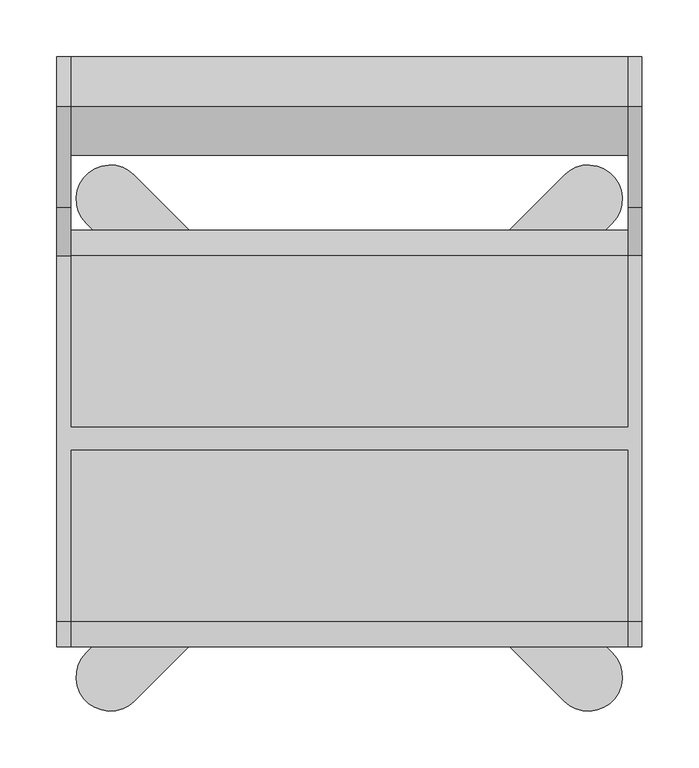
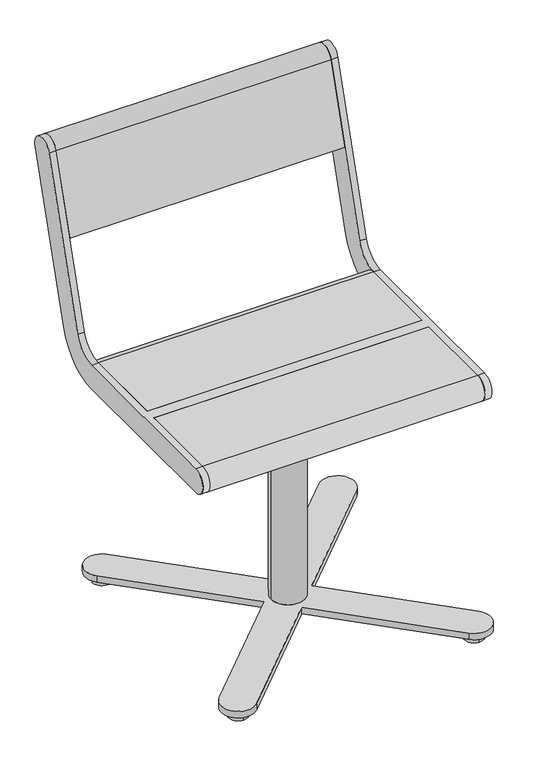
"""IFC4 building model written with IfcOpenShell, lengths in millimetres: furniture geometry."""

from ifc_helpers import new_model, si_unit, point, frame, frame_2d, origin, place, context, project, spatial, polyline, circle_curve, trimmed, segment, composite_curve, outline, extrude, source, transform, mapped, element, save
from ifc_brep_helpers import plane_surface, cylinder_surface, revolved_surface, advanced_brep


def furniture_1e608c58(model_context):
    return source(origin(), model_context, "Body", "SolidModel", [
        advanced_brep(
        [(-30.0, 0.0, 389.0), (-30.0, 0.0, 27.0), (30.0, 0.0, 27.0), (30.0, 0.0, 389.0), (75.0, -125.0, 405.0), (75.0, -125.0, 389.0), (75.0, 125.0, 389.0), (75.0, 125.0, 405.0), (-75.0, -125.0, 405.0), (-75.0, 125.0, 405.0), (-75.0, 125.0, 389.0), (-75.0, -125.0, 389.0), (-188.7867966, 231.2132034, 27.0), (-231.2132034, 188.7867966, 27.0), (-42.4264069, 0.0, 27.0), (-231.2132034, -188.7867966, 27.0), (-188.7867966, -231.2132034, 27.0), (0.0, -42.4264069, 27.0), (188.7867966, -231.2132034, 27.0), (231.2132034, -188.7867966, 27.0), (42.4264069, 0.0, 27.0), (231.2132034, 188.7867966, 27.0), (188.7867966, 231.2132034, 27.0), (0.0, 42.4264069, 27.0), (-188.7867966, 231.2132034, 15.0), (0.0, 42.4264069, 15.0), (188.7867966, 231.2132034, 15.0), (231.2132034, 188.7867966, 15.0), (42.4264069, 0.0, 15.0), (231.2132034, -188.7867966, 15.0), (188.7867966, -231.2132034, 15.0), (0.0, -42.4264069, 15.0), (-188.7867966, -231.2132034, 15.0), (-231.2132034, -188.7867966, 15.0), (-42.4264069, 0.0, 15.0), (-231.2132034, 188.7867966, 15.0), (-210.0, 226.9921875, 15.0), (-210.0, 192.9921875, 15.0), (210.0, 226.9921875, 15.0), (210.0, 192.9921875, 15.0), (-210.0, -226.9921875, 15.0), (-210.0, -192.9921875, 15.0), (210.0, -226.9921875, 15.0), (210.0, -192.9921875, 15.0), (-210.0, 226.9921875, 0.0), (-210.0, 192.9921875, 0.0), (210.0, 226.9921875, 0.0), (210.0, 192.9921875, 0.0), (-210.0, -226.9921875, 0.0), (-210.0, -192.9921875, 0.0), (210.0, -226.9921875, 0.0), (210.0, -192.9921875, 0.0)],
        [
            (0, 1),
            (1, 2, circle_curve(frame((0.0, 0.0, 27.0), z_axis=(0.0, 0.0, 1.0), x_axis=(1.0, 0.0, 0.0)), 30.0)),
            (2, 3),
            (3, 0, circle_curve(frame((0.0, 0.0, 389.0), z_axis=(0.0, 0.0, -1.0), x_axis=(1.0, 0.0, 0.0)), 30.0)),
            (0, 3, circle_curve(frame((0.0, 0.0, 389.0), z_axis=(0.0, 0.0, -1.0), x_axis=(1.0, 0.0, 0.0)), 30.0)),
            (2, 1, circle_curve(frame((0.0, 0.0, 27.0), z_axis=(0.0, 0.0, 1.0), x_axis=(1.0, 0.0, 0.0)), 30.0)),
            (4, 5),
            (5, 6),
            (6, 7),
            (7, 4),
            (8, 9),
            (9, 10),
            (10, 11),
            (11, 8),
            (4, 8),
            (11, 5),
            (10, 6),
            (9, 7),
            (12, 13, circle_curve(frame((-210.0, 210.0, 27.0), z_axis=(0.0, 0.0, 1.0), x_axis=(0.0, -1.0, 0.0)), 30.0)),
            (13, 14),
            (14, 15),
            (15, 16, circle_curve(frame((-210.0, -210.0, 27.0), z_axis=(0.0, 0.0, 1.0), x_axis=(1.0, 0.0, 0.0)), 30.0)),
            (16, 17),
            (17, 18),
            (18, 19, circle_curve(frame((210.0, -210.0, 27.0), z_axis=(0.0, 0.0, 1.0), x_axis=(1.0, 0.0, 0.0)), 30.0)),
            (19, 20),
            (20, 21),
            (21, 22, circle_curve(frame((210.0, 210.0, 27.0), z_axis=(0.0, 0.0, 1.0), x_axis=(0.0, -1.0, 0.0)), 30.0)),
            (22, 23),
            (23, 12),
            (24, 25),
            (25, 26),
            (26, 27, circle_curve(frame((210.0, 210.0, 15.0), z_axis=(0.0, 0.0, -1.0), x_axis=(0.0, -1.0, 0.0)), 30.0)),
            (27, 28),
            (28, 29),
            (29, 30, circle_curve(frame((210.0, -210.0, 15.0), z_axis=(0.0, 0.0, -1.0), x_axis=(1.0, 0.0, 0.0)), 30.0)),
            (30, 31),
            (31, 32),
            (32, 33, circle_curve(frame((-210.0, -210.0, 15.0), z_axis=(0.0, 0.0, -1.0), x_axis=(1.0, 0.0, 0.0)), 30.0)),
            (33, 34),
            (34, 35),
            (35, 24, circle_curve(frame((-210.0, 210.0, 15.0), z_axis=(0.0, 0.0, -1.0), x_axis=(0.0, -1.0, 0.0)), 30.0)),
            (36, 37, circle_curve(frame((-210.0, 209.9921875, 15.0), z_axis=(0.0, 0.0, 1.0), x_axis=(0.0, -1.0, 0.0)), 17.0)),
            (37, 36, circle_curve(frame((-210.0, 209.9921875, 15.0), z_axis=(0.0, 0.0, 1.0), x_axis=(0.0, -1.0, 0.0)), 17.0)),
            (38, 39, circle_curve(frame((210.0, 209.9921875, 15.0), z_axis=(0.0, 0.0, 1.0), x_axis=(0.0, -1.0, 0.0)), 17.0)),
            (39, 38, circle_curve(frame((210.0, 209.9921875, 15.0), z_axis=(0.0, 0.0, 1.0), x_axis=(0.0, -1.0, 0.0)), 17.0)),
            (40, 41, circle_curve(frame((-210.0, -209.9921875, 15.0), z_axis=(0.0, 0.0, 1.0), x_axis=(0.0, 1.0, 0.0)), 17.0)),
            (41, 40, circle_curve(frame((-210.0, -209.9921875, 15.0), z_axis=(0.0, 0.0, 1.0), x_axis=(0.0, 1.0, 0.0)), 17.0)),
            (42, 43, circle_curve(frame((210.0, -209.9921875, 15.0), z_axis=(0.0, 0.0, 1.0), x_axis=(0.0, 1.0, 0.0)), 17.0)),
            (43, 42, circle_curve(frame((210.0, -209.9921875, 15.0), z_axis=(0.0, 0.0, 1.0), x_axis=(0.0, 1.0, 0.0)), 17.0)),
            (44, 45, circle_curve(frame((-210.0, 209.9921875, 0.0), z_axis=(0.0, 0.0, -1.0), x_axis=(0.0, -1.0, 0.0)), 17.0)),
            (45, 44, circle_curve(frame((-210.0, 209.9921875, 0.0), z_axis=(0.0, 0.0, -1.0), x_axis=(0.0, -1.0, 0.0)), 17.0)),
            (46, 47, circle_curve(frame((210.0, 209.9921875, 0.0), z_axis=(0.0, 0.0, -1.0), x_axis=(0.0, -1.0, 0.0)), 17.0)),
            (47, 46, circle_curve(frame((210.0, 209.9921875, 0.0), z_axis=(0.0, 0.0, -1.0), x_axis=(0.0, -1.0, 0.0)), 17.0)),
            (48, 49, circle_curve(frame((-210.0, -209.9921875, 0.0), z_axis=(0.0, 0.0, -1.0), x_axis=(0.0, 1.0, 0.0)), 17.0)),
            (49, 48, circle_curve(frame((-210.0, -209.9921875, 0.0), z_axis=(0.0, 0.0, -1.0), x_axis=(0.0, 1.0, 0.0)), 17.0)),
            (50, 51, circle_curve(frame((210.0, -209.9921875, 0.0), z_axis=(0.0, 0.0, -1.0), x_axis=(0.0, 1.0, 0.0)), 17.0)),
            (51, 50, circle_curve(frame((210.0, -209.9921875, 0.0), z_axis=(0.0, 0.0, -1.0), x_axis=(0.0, 1.0, 0.0)), 17.0)),
            (45, 37),
            (36, 44),
            (47, 39),
            (38, 46),
            (12, 24),
            (35, 13),
            (34, 14),
            (33, 15),
            (32, 16),
            (31, 17),
            (30, 18),
            (29, 19),
            (28, 20),
            (27, 21),
            (26, 22),
            (25, 23),
            (49, 41),
            (40, 48),
            (51, 43),
            (42, 50),
        ],
        [
            cylinder_surface(frame((0.0, 0.0, 27.0), z_axis=(0.0, 0.0, 1.0), x_axis=(1.0, 0.0, 0.0)), 30.0),
            plane_surface(frame((75.0, -125.0, 405.0), z_axis=(1.0, 0.0, 0.0), x_axis=(0.0, 0.0, -1.0))),
            plane_surface(frame((-75.0, -125.0, 405.0), z_axis=(-1.0, 0.0, 0.0), x_axis=(0.0, 0.0, 1.0))),
            plane_surface(frame((75.0, -125.0, 405.0), z_axis=(0.0, -1.0, 0.0), x_axis=(-1.0, 0.0, 0.0))),
            plane_surface(frame((75.0, -125.0, 389.0), z_axis=(0.0, 0.0, -1.0), x_axis=(-1.0, 0.0, 0.0))),
            plane_surface(frame((75.0, 125.0, 389.0), z_axis=(0.0, 1.0, 0.0), x_axis=(-1.0, 0.0, 0.0))),
            plane_surface(frame((75.0, 125.0, 405.0), z_axis=(0.0, 0.0, 1.0), x_axis=(-1.0, 0.0, 0.0))),
            plane_surface(frame((-210.0, 180.0, 27.0), z_axis=(0.0, 0.0, 1.0), x_axis=(1.0, 0.0, 0.0))),
            plane_surface(frame((-210.0, 180.0, 15.0), z_axis=(0.0, 0.0, -1.0), x_axis=(-1.0, 0.0, 0.0))),
            plane_surface(frame((-210.0, 192.9921875, 0.0), z_axis=(0.0, 0.0, -1.0), x_axis=(-1.0, 0.0, 0.0))),
            cylinder_surface(frame((-210.0, 209.9921875, 0.0), z_axis=(0.0, 0.0, 1.0), x_axis=(0.0, -1.0, 0.0)), 17.0),
            cylinder_surface(frame((210.0, 209.9921875, 0.0), z_axis=(0.0, 0.0, 1.0), x_axis=(0.0, -1.0, 0.0)), 17.0),
            cylinder_surface(frame((-210.0, 210.0, 15.0), z_axis=(0.0, 0.0, 1.0), x_axis=(0.0, -1.0, 0.0)), 30.0),
            plane_surface(frame((-231.2132034, 188.7867966, 27.0), z_axis=(-0.7071067811865475, -0.7071067811865476, 0.0), x_axis=(0.0, 0.0, -1.0))),
            plane_surface(frame((-42.4264069, 0.0, 27.0), z_axis=(-0.7071067811865476, 0.7071067811865476, 0.0), x_axis=(0.0, 0.0, -1.0))),
            cylinder_surface(frame((-210.0, -210.0, 15.0), z_axis=(0.0, 0.0, 1.0), x_axis=(1.0, 0.0, 0.0)), 30.0),
            plane_surface(frame((-188.7867966, -231.2132034, 27.0), z_axis=(0.7071067811865476, -0.7071067811865475, 0.0), x_axis=(0.0, 0.0, -1.0))),
            plane_surface(frame((0.0, -42.4264069, 27.0), z_axis=(-0.7071067811865478, -0.7071067811865472, 0.0), x_axis=(0.0, 0.0, -1.0))),
            cylinder_surface(frame((210.0, -210.0, 15.0), z_axis=(0.0, 0.0, 1.0), x_axis=(1.0, 0.0, 0.0)), 30.0),
            plane_surface(frame((231.2132034, -188.7867966, 27.0), z_axis=(0.7071067811865477, 0.7071067811865474, 0.0), x_axis=(0.0, 0.0, -1.0))),
            plane_surface(frame((42.4264069, 0.0, 27.0), z_axis=(0.7071067811865478, -0.7071067811865474, 0.0), x_axis=(0.0, 0.0, -1.0))),
            cylinder_surface(frame((210.0, 210.0, 15.0), z_axis=(0.0, 0.0, 1.0), x_axis=(0.0, -1.0, 0.0)), 30.0),
            plane_surface(frame((188.7867966, 231.2132034, 27.0), z_axis=(-0.7071067811865472, 0.7071067811865479, 0.0), x_axis=(0.0, 0.0, -1.0))),
            plane_surface(frame((0.0, 42.4264069, 27.0), z_axis=(0.7071067811865478, 0.7071067811865472, 0.0), x_axis=(0.0, 0.0, -1.0))),
            cylinder_surface(frame((-210.0, -209.9921875, 0.0), z_axis=(0.0, 0.0, 1.0), x_axis=(0.0, 1.0, 0.0)), 17.0),
            cylinder_surface(frame((210.0, -209.9921875, 0.0), z_axis=(0.0, 0.0, 1.0), x_axis=(0.0, 1.0, 0.0)), 17.0),
        ],
        [
            (0, [[1, 2, 3, 4]]),
            (0, [[-1, 5, -3, 6]]),
            (1, [[7, 8, 9, 10]]),
            (2, [[11, 12, 13, 14]]),
            (3, [[-7, 15, -14, 16]]),
            (4, [[-8, -16, -13, 17], [-4, -5]]),
            (5, [[-9, -17, -12, 18]]),
            (6, [[-10, -18, -11, -15]]),
            (7, [[19, 20, 21, 22, 23, 24, 25, 26, 27, 28, 29, 30], [-2, -6]]),
            (8, [[31, 32, 33, 34, 35, 36, 37, 38, 39, 40, 41, 42], [43, 44], [45, 46], [47, 48], [49, 50]]),
            (9, [[51, 52]]),
            (9, [[53, 54]]),
            (9, [[55, 56]]),
            (9, [[57, 58]]),
            (10, [[-52, 59, -43, 60]]),
            (10, [[-51, -60, -44, -59]]),
            (11, [[-54, 61, -45, 62]]),
            (11, [[-53, -62, -46, -61]]),
            (12, [[-19, 63, -42, 64]]),
            (13, [[-20, -64, -41, 65]]),
            (14, [[-21, -65, -40, 66]]),
            (15, [[-22, -66, -39, 67]]),
            (16, [[-23, -67, -38, 68]]),
            (17, [[-24, -68, -37, 69]]),
            (18, [[-25, -69, -36, 70]]),
            (19, [[-26, -70, -35, 71]]),
            (20, [[-27, -71, -34, 72]]),
            (21, [[-28, -72, -33, 73]]),
            (22, [[-29, -73, -32, 74]]),
            (23, [[-30, -74, -31, -63]]),
            (24, [[-56, 75, -47, 76]]),
            (24, [[-55, -76, -48, -75]]),
            (25, [[-58, 77, -49, 78]]),
            (25, [[-57, -78, -50, -77]]),
        ],
    ),
        advanced_brep(
        [(-245.0, 291.0375971, 769.6910048), (-245.0, 203.033714, 481.8432733), (-245.0, 160.0, 450.0), (-245.0, 9.5, 450.0), (-245.0, 9.5, 405.0), (-245.0, 160.0, 405.0), (-245.0, 246.067428, 468.6865466), (-245.0, 334.0713112, 756.5342781), (-245.0, -161.0, 450.0), (-245.0, -161.0, 405.0), (-245.0, -10.5, 405.0), (-245.0, -10.5, 450.0), (-257.0, 291.0375971, 769.6910048), (-257.0, 334.0713112, 756.5342781), (-257.0, 246.067428, 468.6865466), (-257.0, 160.0, 405.0), (-257.0, -161.0, 405.0), (-257.0, -161.0, 450.0), (-257.0, 160.0, 450.0), (-257.0, 203.033714, 481.8432733), (245.0, -10.5, 450.0), (245.0, -161.0, 450.0), (257.0, -161.0, 450.0), (257.0, 160.0, 450.0), (245.0, 160.0, 450.0), (245.0, 9.5, 450.0), (245.0, 9.5, 405.0), (245.0, 160.0, 405.0), (257.0, 160.0, 405.0), (257.0, -161.0, 405.0), (245.0, -161.0, 405.0), (245.0, -10.5, 405.0), (257.0, 291.0375971, 769.6910048), (257.0, 203.033714, 481.8432733), (257.0, 246.067428, 468.6865466), (257.0, 334.0713112, 756.5342781), (245.0, 291.0375971, 769.6910048), (245.0, 334.0713112, 756.5342781), (245.0, 246.067428, 468.6865466), (245.0, 203.033714, 481.8432733)],
        [
            (0, 1),
            (1, 2, circle_curve(frame((-245.0, 160.0, 495.0), z_axis=(-1.0, 0.0, 0.0), x_axis=(0.0, -1.0, 0.0)), 45.0)),
            (2, 3),
            (3, 4),
            (4, 5),
            (5, 6, circle_curve(frame((-245.0, 160.0, 495.0), z_axis=(1.0, 0.0, 0.0), x_axis=(0.0, -1.0, 0.0)), 90.0)),
            (6, 7),
            (7, 0, circle_curve(frame((-245.0, 312.5544541, 763.1126415), z_axis=(1.0, 0.0, 0.0), x_axis=(0.0, -1.0, 0.0)), 22.5)),
            (8, 9, circle_curve(frame((-245.0, -161.0, 427.5), z_axis=(1.0, 0.0, 0.0), x_axis=(0.0, -1.0, 0.0)), 22.5)),
            (9, 10),
            (10, 11),
            (11, 8),
            (12, 13, circle_curve(frame((-257.0, 312.5544541, 763.1126415), z_axis=(-1.0, 0.0, 0.0), x_axis=(0.0, -1.0, 0.0)), 22.5)),
            (13, 14),
            (14, 15, circle_curve(frame((-257.0, 160.0, 495.0), z_axis=(-1.0, 0.0, 0.0), x_axis=(0.0, -1.0, 0.0)), 90.0)),
            (15, 16),
            (16, 17, circle_curve(frame((-257.0, -161.0, 427.5), z_axis=(-1.0, 0.0, 0.0), x_axis=(0.0, -1.0, 0.0)), 22.5)),
            (17, 18),
            (18, 19, circle_curve(frame((-257.0, 160.0, 495.0), z_axis=(1.0, 0.0, 0.0), x_axis=(0.0, -1.0, 0.0)), 45.0)),
            (19, 12),
            (0, 12),
            (19, 1),
            (18, 2),
            (17, 8),
            (11, 20),
            (20, 21),
            (21, 22),
            (22, 23),
            (23, 24),
            (24, 25),
            (25, 3),
            (15, 5),
            (4, 26),
            (26, 27),
            (27, 28),
            (28, 29),
            (29, 30),
            (30, 31),
            (31, 10),
            (9, 16),
            (14, 6),
            (13, 7),
            (31, 20),
            (25, 26),
            (32, 33),
            (33, 23, circle_curve(frame((257.0, 160.0, 495.0), z_axis=(-1.0, 0.0, 0.0), x_axis=(0.0, -1.0, 0.0)), 45.0)),
            (22, 29, circle_curve(frame((257.0, -161.0, 427.5), z_axis=(1.0, 0.0, 0.0), x_axis=(0.0, -1.0, 0.0)), 22.5)),
            (28, 34, circle_curve(frame((257.0, 160.0, 495.0), z_axis=(1.0, 0.0, 0.0), x_axis=(0.0, -1.0, 0.0)), 90.0)),
            (34, 35),
            (35, 32, circle_curve(frame((257.0, 312.5544541, 763.1126415), z_axis=(1.0, 0.0, 0.0), x_axis=(0.0, -1.0, 0.0)), 22.5)),
            (36, 37, circle_curve(frame((245.0, 312.5544541, 763.1126415), z_axis=(-1.0, 0.0, 0.0), x_axis=(0.0, -1.0, 0.0)), 22.5)),
            (37, 38),
            (38, 27, circle_curve(frame((245.0, 160.0, 495.0), z_axis=(-1.0, 0.0, 0.0), x_axis=(0.0, -1.0, 0.0)), 90.0)),
            (24, 39, circle_curve(frame((245.0, 160.0, 495.0), z_axis=(1.0, 0.0, 0.0), x_axis=(0.0, -1.0, 0.0)), 45.0)),
            (39, 36),
            (30, 21, circle_curve(frame((245.0, -161.0, 427.5), z_axis=(-1.0, 0.0, 0.0), x_axis=(0.0, -1.0, 0.0)), 22.5)),
            (32, 36),
            (39, 33),
            (38, 34),
            (37, 35),
        ],
        [
            plane_surface(frame((-245.0, 203.033714, 481.8432733), z_axis=(1.0000000000000002, 0.0, 0.0), x_axis=(0.0, -0.29237170472273394, -0.9563047559630364))),
            plane_surface(frame((-257.0, 203.033714, 481.8432733), z_axis=(-1.0000000000000002, 0.0, 0.0), x_axis=(0.0, 0.29237170472273394, 0.9563047559630364))),
            plane_surface(frame((-245.0, 291.0375971, 769.6910048), z_axis=(0.0, -0.9563047559630364, 0.29237170472273394), x_axis=(-1.0, 0.0, 0.0))),
            revolved_surface(polyline([(-257.0, 115.0, 495.0), (-245.0, 115.0, 495.0)]), (-257.0, 160.0, 495.0), (-1.0, 0.0, 0.0)),
            plane_surface(frame((-245.0, 160.0, 450.0), z_axis=(0.0, 0.0, 1.0), x_axis=(-1.0, 0.0, 0.0))),
            plane_surface(frame((-245.0, -161.0, 405.0), z_axis=(0.0, 0.0, -1.0), x_axis=(-1.0, 0.0, 0.0))),
            cylinder_surface(frame((-257.0, 160.0, 495.0), z_axis=(1.0, 0.0, 0.0), x_axis=(0.0, -1.0, 0.0)), 90.0),
            plane_surface(frame((-245.0, 246.067428, 468.6865466), z_axis=(0.0, 0.9563047559630364, -0.29237170472273366), x_axis=(-1.0, 0.0, 0.0))),
            cylinder_surface(frame((-257.0, 312.5544541, 763.1126415), z_axis=(1.0, 0.0, 0.0), x_axis=(0.0, -1.0, 0.0)), 22.5),
            cylinder_surface(frame((-257.0, -161.0, 427.5), z_axis=(1.0, 0.0, 0.0), x_axis=(0.0, -1.0, 0.0)), 22.5),
            plane_surface(frame((245.0, -10.5, 450.0), z_axis=(0.0, -1.0, 0.0), x_axis=(-1.0, 0.0, 0.0))),
            plane_surface(frame((245.0, 9.5, 405.0), z_axis=(0.0, 1.0, 0.0), x_axis=(-1.0, 0.0, 0.0))),
            plane_surface(frame((257.0, 203.033714, 481.8432733), z_axis=(1.0000000000000002, 0.0, 0.0), x_axis=(0.0, -0.29237170472273394, -0.9563047559630364))),
            plane_surface(frame((245.0, 203.033714, 481.8432733), z_axis=(-1.0000000000000002, 0.0, 0.0), x_axis=(0.0, 0.29237170472273394, 0.9563047559630364))),
            plane_surface(frame((257.0, 291.0375971, 769.6910048), z_axis=(0.0, -0.9563047559630364, 0.29237170472273394), x_axis=(-1.0, 0.0, 0.0))),
            revolved_surface(polyline([(245.0, 115.0, 495.0), (257.0, 115.0, 495.0)]), (245.0, 160.0, 495.0), (-1.0, 0.0, 0.0)),
            cylinder_surface(frame((245.0, 160.0, 495.0), z_axis=(1.0, 0.0, 0.0), x_axis=(0.0, -1.0, 0.0)), 90.0),
            plane_surface(frame((257.0, 246.067428, 468.6865466), z_axis=(0.0, 0.9563047559630364, -0.29237170472273366), x_axis=(-1.0, 0.0, 0.0))),
            cylinder_surface(frame((245.0, 312.5544541, 763.1126415), z_axis=(1.0, 0.0, 0.0), x_axis=(0.0, -1.0, 0.0)), 22.5),
            cylinder_surface(frame((245.0, -161.0, 427.5), z_axis=(1.0, 0.0, 0.0), x_axis=(0.0, -1.0, 0.0)), 22.5),
        ],
        [
            (0, [[1, 2, 3, 4, 5, 6, 7, 8]]),
            (0, [[9, 10, 11, 12]]),
            (1, [[13, 14, 15, 16, 17, 18, 19, 20]]),
            (2, [[-1, 21, -20, 22]]),
            (3, [[-2, -22, -19, 23]]),
            (4, [[-18, 24, -12, 25, 26, 27, 28, 29, 30, 31, -3, -23]]),
            (5, [[-16, 32, -5, 33, 34, 35, 36, 37, 38, 39, -10, 40]]),
            (6, [[-6, -32, -15, 41]]),
            (7, [[-7, -41, -14, 42]]),
            (8, [[-8, -42, -13, -21]]),
            (9, [[-9, -24, -17, -40]]),
            (10, [[-25, -11, -39, 43]]),
            (11, [[-31, 44, -33, -4]]),
            (12, [[45, 46, -28, 47, -36, 48, 49, 50]]),
            (13, [[51, 52, 53, -34, -44, -30, 54, 55]]),
            (13, [[56, -26, -43, -38]]),
            (14, [[-45, 57, -55, 58]]),
            (15, [[-46, -58, -54, -29]]),
            (16, [[-48, -35, -53, 59]]),
            (17, [[-49, -59, -52, 60]]),
            (18, [[-50, -60, -51, -57]]),
            (19, [[-47, -27, -56, -37]]),
        ],
    ),
        extrude(outline(composite_curve([segment(trimmed(circle_curve(frame_2d((312.5544541, 763.1126415)), 22.5), [point((291.0375971, 769.6910048))], [point((334.0713112, 756.5342781))], False, "CARTESIAN"), True, "CONTINUOUS"), segment(polyline([(334.0713112, 756.5342781), (291.5312281, 617.3919361), (248.4975141, 630.5486628), (291.0375971, 769.6910048)]), True, "CONTINUOUS")], self_intersect=False)), frame((-245.0, 0.0, 0.0), z_axis=(1.0, 0.0, 0.0), x_axis=(0.0, 1.0, 0.0)), (0.0, 0.0, 1.0), 490.0),
        extrude(outline(composite_curve([segment(polyline([(9.5, 405.0), (9.5, 450.0), (160.0, 450.0)]), True, "CONTINUOUS"), segment(trimmed(circle_curve(frame_2d((160.0, 427.5)), 22.5), [point((160.0, 450.0))], [point((160.0, 405.0))], False, "CARTESIAN"), True, "CONTINUOUS"), segment(polyline([(160.0, 405.0), (9.5, 405.0)]), True, "CONTINUOUS")], self_intersect=False)), frame((-245.0, 0.0, 0.0), z_axis=(1.0, 0.0, 0.0), x_axis=(0.0, 1.0, 0.0)), (0.0, 0.0, 1.0), 490.0),
        extrude(outline(composite_curve([segment(polyline([(-10.5, 405.0), (-161.0, 405.0)]), True, "CONTINUOUS"), segment(trimmed(circle_curve(frame_2d((-161.0, 427.5)), 22.5), [point((-161.0, 405.0))], [point((-161.0, 450.0))], False, "CARTESIAN"), True, "CONTINUOUS"), segment(polyline([(-161.0, 450.0), (-10.5, 450.0), (-10.5, 405.0)]), True, "CONTINUOUS")], self_intersect=False)), frame((-245.0, 0.0, 0.0), z_axis=(1.0, 0.0, 0.0), x_axis=(0.0, 1.0, 0.0)), (0.0, 0.0, 1.0), 490.0),
    ])


if __name__ == "__main__":
    model = new_model("IFC4")
    model_context = context("Model", 3, world=origin())
    ifc_project = project(units=[si_unit("LENGTHUNIT", "METRE", prefix="MILLI")], contexts=[model_context])
    site = spatial("IfcSite", under=ifc_project)
    building = spatial("IfcBuilding", under=site)
    placement = place(None, origin())
    furniture_shape = furniture_1e608c58(model_context)
    element("IfcFurniture", 1, at=placement, inside=building, context=model_context, shape_type="MappedRepresentation", body=[
        mapped(furniture_shape, transform((0.0, 0.0, 0.0), x_axis=(1.0, 0.0, 0.0), y_axis=(0.0, 1.0, 0.0), z_axis=(0.0, 0.0, 1.0))),
    ])
    save(model, "model.ifc")
